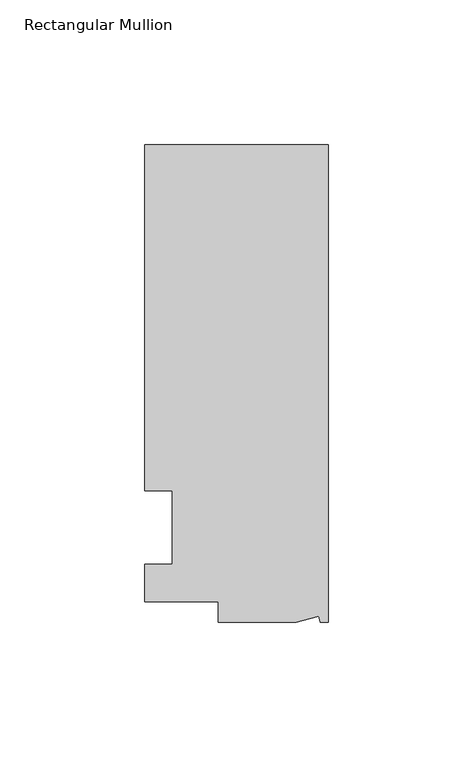
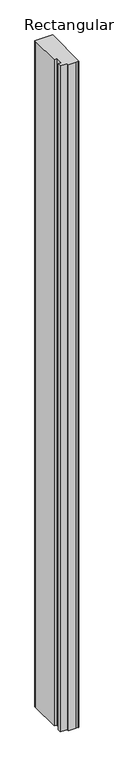
"""IFC4 building model written with IfcOpenShell, lengths in millimetres: member geometry, Rectangular Mullion."""

from ifc_helpers import new_model, si_unit, frame, origin, place, context, project, spatial, polyline, outline, extrude, source, transform, mapped, element, save


def rectangular_mullion_831d3d97(model_context):
    return source(origin(), model_context, "Body", "SweptSolid", [
        extrude(outline(polyline([(0.0, 132.5561012), (0.0, -32.5438988), (-2.7616541, -32.5438988), (-3.3341886, -30.4622958), (-11.121847, -32.5438988), (-38.1, -32.5438988), (-38.1, -25.5842988), (-63.5, -25.5842988), (-63.5, -12.5945801), (-53.975, -12.5945801), (-53.975, 12.8054199), (-63.5, 12.8054199), (-63.5, 126.2061012), (-63.5, 132.5561012), (0.0, 132.5561012)])), frame((0.0, 0.0, -2540.0), z_axis=(0.0, 0.0, 1.0), x_axis=(1.0, 0.0, 0.0)), (0.0, 0.0, 1.0), 2540.0),
    ])


if __name__ == "__main__":
    model = new_model("IFC4")
    model_context = context("Model", 3, world=origin())
    ifc_project = project(units=[si_unit("LENGTHUNIT", "METRE", prefix="MILLI")], contexts=[model_context])
    site = spatial("IfcSite", under=ifc_project)
    building = spatial("IfcBuilding", under=site)
    placement = place(None, origin())
    rectangular_mullion_shape = rectangular_mullion_831d3d97(model_context)
    element("IfcMember", 1, ObjectType="Rectangular Mullion", at=placement, inside=building, context=model_context, shape_type="MappedRepresentation", body=[
        mapped(rectangular_mullion_shape, transform((0.0, 0.0, 0.0), x_axis=(1.0, 0.0, 0.0), y_axis=(0.0, 1.0, 0.0), z_axis=(0.0, 0.0, 1.0))),
    ])
    save(model, "model.ifc")
